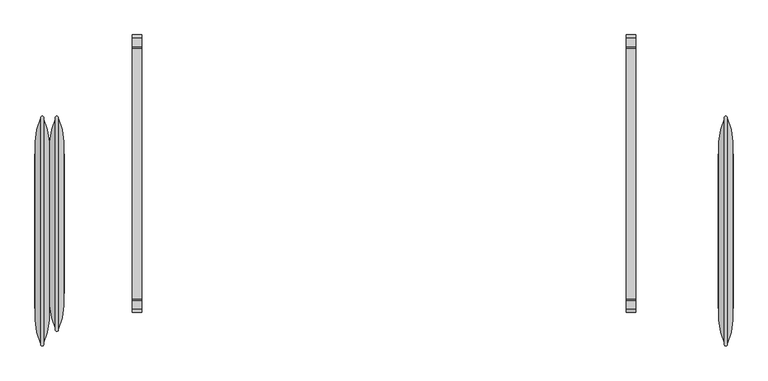
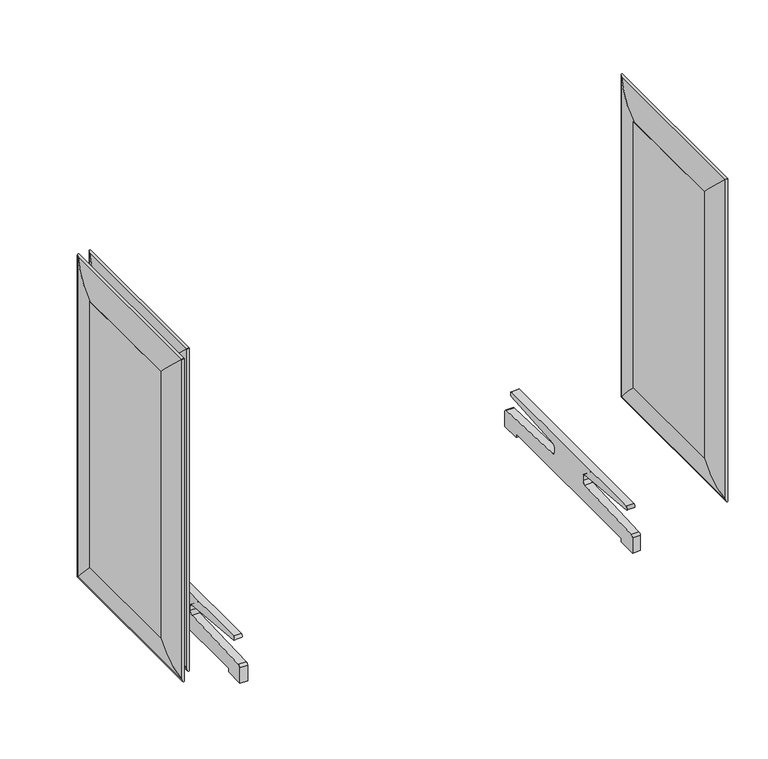
"""IFC4 building model written with IfcOpenShell, lengths in millimetres: furniture geometry."""

from ifc_helpers import new_model, si_unit, point, frame, frame_2d, origin, place, context, project, spatial, polyline, circle_curve, ellipse_curve, trimmed, segment, composite_curve, outline, extrude, source, transform, mapped, element, save
from ifc_brep_helpers import plane_surface, cylinder_surface, advanced_brep


def furniture_b3d95ae5(model_context):
    return source(origin(), model_context, "Body", "SolidModel", [
        advanced_brep(
        [(874.0720019, 73.025, 1163.5628297), (888.816915, 166.1563317, 1256.6941614), (888.816915, 166.1563317, 145.8277373), (874.0720019, 73.025, 238.959069), (910.2779981, 73.025, 1163.5628297), (910.2779981, 73.025, 238.959069), (895.533085, 166.1563317, 1256.6941614), (895.533085, 166.1563317, 145.8277373), (888.816915, -423.3313317, 145.8277373), (874.0720019, -330.2, 238.959069), (910.2779981, -330.2, 238.959069), (895.533085, -423.3313317, 145.8277373), (888.816915, -423.3313317, 1256.6941614), (874.0720019, -330.2, 1163.5628297), (910.2779981, -330.2, 1163.5628297), (895.533085, -423.3313317, 1256.6941614)],
        [
            (0, 1, ellipse_curve(frame((1057.4693158, 91.7217286, 1182.2595584), z_axis=(0.0, 0.7071067811865475, -0.7071067811865475), x_axis=(0.0, 0.7071067811865474, 0.7071067811865476)), 260.707278, 184.3478842)),
            (1, 2),
            (2, 3, ellipse_curve(frame((1057.4693158, 91.7217286, 220.2623404), z_axis=(0.0, 0.7071067811865475, 0.7071067811865475), x_axis=(0.0, -0.7071067811865474, 0.7071067811865476)), 260.707278, 184.3478842)),
            (3, 0),
            (4, 0),
            (3, 5),
            (5, 4),
            (6, 4, ellipse_curve(frame((726.8806842, 91.7217286, 1182.2595584), z_axis=(0.0, 0.7071067811865475, -0.7071067811865475), x_axis=(0.0, 0.7071067811865474, 0.7071067811865476)), 260.707278, 184.3478842)),
            (5, 7, ellipse_curve(frame((726.8806842, 91.7217286, 220.2623404), z_axis=(0.0, 0.7071067811865475, 0.7071067811865475), x_axis=(0.0, -0.7071067811865474, 0.7071067811865476)), 260.707278, 184.3478842)),
            (7, 6),
            (1, 6, ellipse_curve(frame((892.175, 167.7744455, 1258.3122753), z_axis=(0.0, 0.7071067811865475, -0.7071067811865475), x_axis=(0.0, 0.7071067811865474, 0.7071067811865476)), 5.2716273, 3.7276034)),
            (7, 2, ellipse_curve(frame((892.175, 167.7744455, 144.2096235), z_axis=(0.0, 0.7071067811865475, 0.7071067811865475), x_axis=(0.0, -0.7071067811865474, 0.7071067811865476)), 5.2716273, 3.7276034)),
            (2, 8),
            (8, 9, ellipse_curve(frame((1057.4693158, -348.8967286, 220.2623404), z_axis=(0.0, 0.7071067811865475, -0.7071067811865475), x_axis=(0.0, 0.7071067811865476, 0.7071067811865474)), 260.707278, 184.3478842)),
            (9, 3),
            (9, 10),
            (10, 5),
            (10, 11, ellipse_curve(frame((726.8806842, -348.8967286, 220.2623404), z_axis=(0.0, 0.7071067811865475, -0.7071067811865475), x_axis=(0.0, 0.7071067811865476, 0.7071067811865474)), 260.707278, 184.3478842)),
            (11, 7),
            (11, 8, ellipse_curve(frame((892.175, -424.9494455, 144.2096235), z_axis=(0.0, 0.7071067811865475, -0.7071067811865475), x_axis=(0.0, 0.7071067811865476, 0.7071067811865474)), 5.2716273, 3.7276034)),
            (8, 12),
            (12, 13, ellipse_curve(frame((1057.4693158, -348.8967286, 1182.2595584), z_axis=(0.0, -0.7071067811865475, -0.7071067811865475), x_axis=(0.0, 0.7071067811865474, -0.7071067811865476)), 260.707278, 184.3478842)),
            (13, 9),
            (13, 14),
            (14, 10),
            (14, 15, ellipse_curve(frame((726.8806842, -348.8967286, 1182.2595584), z_axis=(0.0, -0.7071067811865475, -0.7071067811865475), x_axis=(0.0, 0.7071067811865474, -0.7071067811865476)), 260.707278, 184.3478842)),
            (15, 11),
            (15, 12, ellipse_curve(frame((892.175, -424.9494455, 1258.3122753), z_axis=(0.0, -0.7071067811865475, -0.7071067811865475), x_axis=(0.0, 0.7071067811865474, -0.7071067811865476)), 5.2716273, 3.7276034)),
            (12, 1),
            (0, 13),
            (4, 14),
            (6, 15),
        ],
        [
            cylinder_surface(frame((1057.4693158, 91.7217286, 1163.5628297), z_axis=(0.0, 0.0, 1.0), x_axis=(-1.0000000000000002, 0.0, 0.0)), 184.3478842),
            plane_surface(frame((874.0720019, 73.025, 1163.5628297), z_axis=(0.0, -1.0, 0.0), x_axis=(0.0, 0.0, -1.0))),
            cylinder_surface(frame((726.8806842, 91.7217286, 1163.5628297), z_axis=(0.0, 0.0, 1.0), x_axis=(-1.0000000000000002, 0.0, 0.0)), 184.3478842),
            cylinder_surface(frame((892.175, 167.7744455, 1163.5628297), z_axis=(0.0, 0.0, 1.0), x_axis=(-1.0000000000000002, 0.0, 0.0)), 3.7276034),
            cylinder_surface(frame((1057.4693158, 73.025, 220.2623404), z_axis=(0.0, 1.0000000000000002, 0.0), x_axis=(-1.0000000000000002, 0.0, 0.0)), 184.3478842),
            plane_surface(frame((874.0720019, 73.025, 238.959069), z_axis=(0.0, 0.0, 1.0), x_axis=(0.0, -1.0, 0.0))),
            cylinder_surface(frame((726.8806842, 73.025, 220.2623404), z_axis=(0.0, 1.0000000000000002, 0.0), x_axis=(-1.0000000000000002, 0.0, 0.0)), 184.3478842),
            cylinder_surface(frame((892.175, 73.025, 144.2096235), z_axis=(0.0, 1.0000000000000002, 0.0), x_axis=(-1.0000000000000002, 0.0, 0.0)), 3.7276034),
            cylinder_surface(frame((1057.4693158, -348.8967286, 238.959069), z_axis=(0.0, 0.0, -1.0), x_axis=(-1.0000000000000002, 0.0, 0.0)), 184.3478842),
            plane_surface(frame((874.0720019, -330.2, 238.959069), z_axis=(0.0, 1.0, 0.0), x_axis=(0.0, 0.0, 1.0))),
            cylinder_surface(frame((726.8806842, -348.8967286, 238.959069), z_axis=(0.0, 0.0, -1.0), x_axis=(-1.0000000000000002, 0.0, 0.0)), 184.3478842),
            cylinder_surface(frame((892.175, -424.9494455, 238.959069), z_axis=(0.0, 0.0, -1.0), x_axis=(-1.0000000000000002, 0.0, 0.0)), 3.7276034),
            cylinder_surface(frame((1057.4693158, -330.2, 1182.2595584), z_axis=(0.0, -1.0000000000000002, 0.0), x_axis=(-1.0000000000000002, 0.0, 0.0)), 184.3478842),
            plane_surface(frame((874.0720019, -330.2, 1163.5628297), z_axis=(0.0, 0.0, -1.0), x_axis=(0.0, 1.0, 0.0))),
            cylinder_surface(frame((726.8806842, -330.2, 1182.2595584), z_axis=(0.0, -1.0000000000000002, 0.0), x_axis=(-1.0000000000000002, 0.0, 0.0)), 184.3478842),
            cylinder_surface(frame((892.175, -330.2, 1258.3122753), z_axis=(0.0, -1.0000000000000002, 0.0), x_axis=(-1.0000000000000002, 0.0, 0.0)), 3.7276034),
        ],
        [
            (0, [[1, 2, 3, 4]]),
            (1, [[5, -4, 6, 7]]),
            (2, [[8, -7, 9, 10]]),
            (3, [[11, -10, 12, -2]]),
            (4, [[-3, 13, 14, 15]]),
            (5, [[-6, -15, 16, 17]]),
            (6, [[-9, -17, 18, 19]]),
            (7, [[-12, -19, 20, -13]]),
            (8, [[-14, 21, 22, 23]]),
            (9, [[-16, -23, 24, 25]]),
            (10, [[-18, -25, 26, 27]]),
            (11, [[-20, -27, 28, -21]]),
            (12, [[-22, 29, -1, 30]]),
            (13, [[-24, -30, -5, 31]]),
            (14, [[-26, -31, -8, 32]]),
            (15, [[-28, -32, -11, -29]]),
        ],
    ),
        extrude(outline(polyline([(911.225, -330.2), (873.125, -330.2), (873.125, 73.025), (911.225, 73.025), (911.225, -330.2)])), frame((0.0, 0.0, 238.959069), z_axis=(0.0, 0.0, 1.0), x_axis=(1.0, 0.0, 0.0)), (0.0, 0.0, 1.0), 924.6037607),
        advanced_brep(
        [(-835.9720019, 73.025, 1163.5628297), (-835.9720019, 73.025, 238.959069), (-850.716915, 166.1563317, 145.8277373), (-850.716915, 166.1563317, 1256.6941614), (-872.1779981, 73.025, 1163.5628297), (-872.1779981, 73.025, 238.959069), (-857.433085, 166.1563317, 1256.6941614), (-857.433085, 166.1563317, 145.8277373), (-835.9720019, -292.1, 238.959069), (-850.716915, -385.2313317, 145.8277373), (-872.1779981, -292.1, 238.959069), (-857.433085, -385.2313317, 145.8277373), (-835.9720019, -292.1, 1163.5628297), (-850.716915, -385.2313317, 1256.6941614), (-872.1779981, -292.1, 1163.5628297), (-857.433085, -385.2313317, 1256.6941614)],
        [
            (0, 1),
            (1, 2, ellipse_curve(frame((-1019.3693158, 91.7217286, 220.2623404), z_axis=(0.0, 0.7071067811865475, 0.7071067811865475), x_axis=(0.0, -0.7071067811865474, 0.7071067811865476)), 260.707278, 184.3478842)),
            (2, 3),
            (3, 0, ellipse_curve(frame((-1019.3693158, 91.7217286, 1182.2595584), z_axis=(0.0, 0.7071067811865475, -0.7071067811865475), x_axis=(0.0, 0.7071067811865474, 0.7071067811865476)), 260.707278, 184.3478842)),
            (4, 5),
            (5, 1),
            (0, 4),
            (6, 7),
            (7, 5, ellipse_curve(frame((-688.7806842, 91.7217286, 220.2623404), z_axis=(0.0, 0.7071067811865475, 0.7071067811865475), x_axis=(0.0, -0.7071067811865474, 0.7071067811865476)), 260.707278, 184.3478842)),
            (4, 6, ellipse_curve(frame((-688.7806842, 91.7217286, 1182.2595584), z_axis=(0.0, 0.7071067811865475, -0.7071067811865475), x_axis=(0.0, 0.7071067811865474, 0.7071067811865476)), 260.707278, 184.3478842)),
            (2, 7, ellipse_curve(frame((-854.075, 167.7744455, 144.2096235), z_axis=(0.0, 0.7071067811865475, 0.7071067811865475), x_axis=(0.0, -0.7071067811865474, 0.7071067811865476)), 5.2716273, 3.7276034)),
            (6, 3, ellipse_curve(frame((-854.075, 167.7744455, 1258.3122753), z_axis=(0.0, 0.7071067811865475, -0.7071067811865475), x_axis=(0.0, 0.7071067811865474, 0.7071067811865476)), 5.2716273, 3.7276034)),
            (1, 8),
            (8, 9, ellipse_curve(frame((-1019.3693158, -310.7967286, 220.2623404), z_axis=(0.0, 0.7071067811865475, -0.7071067811865475), x_axis=(0.0, 0.7071067811865476, 0.7071067811865474)), 260.707278, 184.3478842)),
            (9, 2),
            (5, 10),
            (10, 8),
            (7, 11),
            (11, 10, ellipse_curve(frame((-688.7806842, -310.7967286, 220.2623404), z_axis=(0.0, 0.7071067811865475, -0.7071067811865475), x_axis=(0.0, 0.7071067811865476, 0.7071067811865474)), 260.707278, 184.3478842)),
            (9, 11, ellipse_curve(frame((-854.075, -386.8494455, 144.2096235), z_axis=(0.0, 0.7071067811865475, -0.7071067811865475), x_axis=(0.0, 0.7071067811865476, 0.7071067811865474)), 5.2716273, 3.7276034)),
            (8, 12),
            (12, 13, ellipse_curve(frame((-1019.3693158, -310.7967286, 1182.2595584), z_axis=(0.0, -0.7071067811865475, -0.7071067811865475), x_axis=(0.0, 0.7071067811865474, -0.7071067811865476)), 260.707278, 184.3478842)),
            (13, 9),
            (10, 14),
            (14, 12),
            (11, 15),
            (15, 14, ellipse_curve(frame((-688.7806842, -310.7967286, 1182.2595584), z_axis=(0.0, -0.7071067811865475, -0.7071067811865475), x_axis=(0.0, 0.7071067811865474, -0.7071067811865476)), 260.707278, 184.3478842)),
            (13, 15, ellipse_curve(frame((-854.075, -386.8494455, 1258.3122753), z_axis=(0.0, -0.7071067811865475, -0.7071067811865475), x_axis=(0.0, 0.7071067811865474, -0.7071067811865476)), 5.2716273, 3.7276034)),
            (12, 0),
            (3, 13),
            (14, 4),
            (15, 6),
        ],
        [
            cylinder_surface(frame((-1019.3693158, 91.7217286, 1163.5628297), z_axis=(0.0, 0.0, 1.0), x_axis=(1.0000000000000002, 0.0, 0.0)), 184.3478842),
            plane_surface(frame((-835.9720019, 73.025, 1163.5628297), z_axis=(0.0, -1.0, 0.0), x_axis=(0.0, 0.0, -1.0))),
            cylinder_surface(frame((-688.7806842, 91.7217286, 1163.5628297), z_axis=(0.0, 0.0, 1.0), x_axis=(1.0000000000000002, 0.0, 0.0)), 184.3478842),
            cylinder_surface(frame((-854.075, 167.7744455, 1163.5628297), z_axis=(0.0, 0.0, 1.0), x_axis=(1.0000000000000002, 0.0, 0.0)), 3.7276034),
            cylinder_surface(frame((-1019.3693158, 73.025, 220.2623404), z_axis=(0.0, 1.0000000000000002, 0.0), x_axis=(1.0000000000000002, 0.0, 0.0)), 184.3478842),
            plane_surface(frame((-835.9720019, 73.025, 238.959069), z_axis=(0.0, 0.0, 1.0), x_axis=(0.0, -1.0, 0.0))),
            cylinder_surface(frame((-688.7806842, 73.025, 220.2623404), z_axis=(0.0, 1.0000000000000002, 0.0), x_axis=(1.0000000000000002, 0.0, 0.0)), 184.3478842),
            cylinder_surface(frame((-854.075, 73.025, 144.2096235), z_axis=(0.0, 1.0000000000000002, 0.0), x_axis=(1.0000000000000002, 0.0, 0.0)), 3.7276034),
            cylinder_surface(frame((-1019.3693158, -310.7967286, 238.959069), z_axis=(0.0, 0.0, -1.0), x_axis=(1.0000000000000002, 0.0, 0.0)), 184.3478842),
            plane_surface(frame((-835.9720019, -292.1, 238.959069), z_axis=(0.0, 1.0, 0.0), x_axis=(0.0, 0.0, 1.0))),
            cylinder_surface(frame((-688.7806842, -310.7967286, 238.959069), z_axis=(0.0, 0.0, -1.0), x_axis=(1.0000000000000002, 0.0, 0.0)), 184.3478842),
            cylinder_surface(frame((-854.075, -386.8494455, 238.959069), z_axis=(0.0, 0.0, -1.0), x_axis=(1.0000000000000002, 0.0, 0.0)), 3.7276034),
            cylinder_surface(frame((-1019.3693158, -292.1, 1182.2595584), z_axis=(0.0, -1.0000000000000002, 0.0), x_axis=(1.0000000000000002, 0.0, 0.0)), 184.3478842),
            plane_surface(frame((-835.9720019, -292.1, 1163.5628297), z_axis=(0.0, 0.0, -1.0), x_axis=(0.0, 1.0, 0.0))),
            cylinder_surface(frame((-688.7806842, -292.1, 1182.2595584), z_axis=(0.0, -1.0000000000000002, 0.0), x_axis=(1.0000000000000002, 0.0, 0.0)), 184.3478842),
            cylinder_surface(frame((-854.075, -292.1, 1258.3122753), z_axis=(0.0, -1.0000000000000002, 0.0), x_axis=(1.0000000000000002, 0.0, 0.0)), 3.7276034),
        ],
        [
            (0, [[1, 2, 3, 4]]),
            (1, [[5, 6, -1, 7]]),
            (2, [[8, 9, -5, 10]]),
            (3, [[-3, 11, -8, 12]]),
            (4, [[13, 14, 15, -2]]),
            (5, [[16, 17, -13, -6]]),
            (6, [[18, 19, -16, -9]]),
            (7, [[-15, 20, -18, -11]]),
            (8, [[21, 22, 23, -14]]),
            (9, [[24, 25, -21, -17]]),
            (10, [[26, 27, -24, -19]]),
            (11, [[-23, 28, -26, -20]]),
            (12, [[29, -4, 30, -22]]),
            (13, [[31, -7, -29, -25]]),
            (14, [[32, -10, -31, -27]]),
            (15, [[-30, -12, -32, -28]]),
        ],
    ),
        extrude(outline(polyline([(-873.125, -292.1), (-873.125, 73.025), (-835.025, 73.025), (-835.025, -292.1), (-873.125, -292.1)])), frame((0.0, 0.0, 238.959069), z_axis=(0.0, 0.0, 1.0), x_axis=(1.0, 0.0, 0.0)), (0.0, 0.0, 1.0), 924.6037607),
        advanced_brep(
        [(-874.0720019, 73.025, 1163.5628297), (-874.0720019, 73.025, 238.959069), (-888.816915, 166.1563317, 145.8277373), (-888.816915, 166.1563317, 1256.6941614), (-910.2779981, 73.025, 1163.5628297), (-910.2779981, 73.025, 238.959069), (-895.533085, 166.1563317, 1256.6941614), (-895.533085, 166.1563317, 145.8277373), (-874.0720019, -330.2, 238.959069), (-888.816915, -423.3313317, 145.8277373), (-910.2779981, -330.2, 238.959069), (-895.533085, -423.3313317, 145.8277373), (-874.0720019, -330.2, 1163.5628297), (-888.816915, -423.3313317, 1256.6941614), (-910.2779981, -330.2, 1163.5628297), (-895.533085, -423.3313317, 1256.6941614)],
        [
            (0, 1),
            (1, 2, ellipse_curve(frame((-1057.4693158, 91.7217286, 220.2623404), z_axis=(0.0, 0.7071067811865475, 0.7071067811865475), x_axis=(0.0, -0.7071067811865474, 0.7071067811865476)), 260.707278, 184.3478842)),
            (2, 3),
            (3, 0, ellipse_curve(frame((-1057.4693158, 91.7217286, 1182.2595584), z_axis=(0.0, 0.7071067811865475, -0.7071067811865475), x_axis=(0.0, 0.7071067811865474, 0.7071067811865476)), 260.707278, 184.3478842)),
            (4, 5),
            (5, 1),
            (0, 4),
            (6, 7),
            (7, 5, ellipse_curve(frame((-726.8806842, 91.7217286, 220.2623404), z_axis=(0.0, 0.7071067811865475, 0.7071067811865475), x_axis=(0.0, -0.7071067811865474, 0.7071067811865476)), 260.707278, 184.3478842)),
            (4, 6, ellipse_curve(frame((-726.8806842, 91.7217286, 1182.2595584), z_axis=(0.0, 0.7071067811865475, -0.7071067811865475), x_axis=(0.0, 0.7071067811865474, 0.7071067811865476)), 260.707278, 184.3478842)),
            (2, 7, ellipse_curve(frame((-892.175, 167.7744455, 144.2096235), z_axis=(0.0, 0.7071067811865475, 0.7071067811865475), x_axis=(0.0, -0.7071067811865474, 0.7071067811865476)), 5.2716273, 3.7276034)),
            (6, 3, ellipse_curve(frame((-892.175, 167.7744455, 1258.3122753), z_axis=(0.0, 0.7071067811865475, -0.7071067811865475), x_axis=(0.0, 0.7071067811865474, 0.7071067811865476)), 5.2716273, 3.7276034)),
            (1, 8),
            (8, 9, ellipse_curve(frame((-1057.4693158, -348.8967286, 220.2623404), z_axis=(0.0, 0.7071067811865475, -0.7071067811865475), x_axis=(0.0, 0.7071067811865476, 0.7071067811865474)), 260.707278, 184.3478842)),
            (9, 2),
            (5, 10),
            (10, 8),
            (7, 11),
            (11, 10, ellipse_curve(frame((-726.8806842, -348.8967286, 220.2623404), z_axis=(0.0, 0.7071067811865475, -0.7071067811865475), x_axis=(0.0, 0.7071067811865476, 0.7071067811865474)), 260.707278, 184.3478842)),
            (9, 11, ellipse_curve(frame((-892.175, -424.9494455, 144.2096235), z_axis=(0.0, 0.7071067811865475, -0.7071067811865475), x_axis=(0.0, 0.7071067811865476, 0.7071067811865474)), 5.2716273, 3.7276034)),
            (8, 12),
            (12, 13, ellipse_curve(frame((-1057.4693158, -348.8967286, 1182.2595584), z_axis=(0.0, -0.7071067811865475, -0.7071067811865475), x_axis=(0.0, 0.7071067811865474, -0.7071067811865476)), 260.707278, 184.3478842)),
            (13, 9),
            (10, 14),
            (14, 12),
            (11, 15),
            (15, 14, ellipse_curve(frame((-726.8806842, -348.8967286, 1182.2595584), z_axis=(0.0, -0.7071067811865475, -0.7071067811865475), x_axis=(0.0, 0.7071067811865474, -0.7071067811865476)), 260.707278, 184.3478842)),
            (13, 15, ellipse_curve(frame((-892.175, -424.9494455, 1258.3122753), z_axis=(0.0, -0.7071067811865475, -0.7071067811865475), x_axis=(0.0, 0.7071067811865474, -0.7071067811865476)), 5.2716273, 3.7276034)),
            (12, 0),
            (3, 13),
            (14, 4),
            (15, 6),
        ],
        [
            cylinder_surface(frame((-1057.4693158, 91.7217286, 1163.5628297), z_axis=(0.0, 0.0, 1.0), x_axis=(1.0000000000000002, 0.0, 0.0)), 184.3478842),
            plane_surface(frame((-874.0720019, 73.025, 1163.5628297), z_axis=(0.0, -1.0, 0.0), x_axis=(0.0, 0.0, -1.0))),
            cylinder_surface(frame((-726.8806842, 91.7217286, 1163.5628297), z_axis=(0.0, 0.0, 1.0), x_axis=(1.0000000000000002, 0.0, 0.0)), 184.3478842),
            cylinder_surface(frame((-892.175, 167.7744455, 1163.5628297), z_axis=(0.0, 0.0, 1.0), x_axis=(1.0000000000000002, 0.0, 0.0)), 3.7276034),
            cylinder_surface(frame((-1057.4693158, 73.025, 220.2623404), z_axis=(0.0, 1.0000000000000002, 0.0), x_axis=(1.0000000000000002, 0.0, 0.0)), 184.3478842),
            plane_surface(frame((-874.0720019, 73.025, 238.959069), z_axis=(0.0, 0.0, 1.0), x_axis=(0.0, -1.0, 0.0))),
            cylinder_surface(frame((-726.8806842, 73.025, 220.2623404), z_axis=(0.0, 1.0000000000000002, 0.0), x_axis=(1.0000000000000002, 0.0, 0.0)), 184.3478842),
            cylinder_surface(frame((-892.175, 73.025, 144.2096235), z_axis=(0.0, 1.0000000000000002, 0.0), x_axis=(1.0000000000000002, 0.0, 0.0)), 3.7276034),
            cylinder_surface(frame((-1057.4693158, -348.8967286, 238.959069), z_axis=(0.0, 0.0, -1.0), x_axis=(1.0000000000000002, 0.0, 0.0)), 184.3478842),
            plane_surface(frame((-874.0720019, -330.2, 238.959069), z_axis=(0.0, 1.0, 0.0), x_axis=(0.0, 0.0, 1.0))),
            cylinder_surface(frame((-726.8806842, -348.8967286, 238.959069), z_axis=(0.0, 0.0, -1.0), x_axis=(1.0000000000000002, 0.0, 0.0)), 184.3478842),
            cylinder_surface(frame((-892.175, -424.9494455, 238.959069), z_axis=(0.0, 0.0, -1.0), x_axis=(1.0000000000000002, 0.0, 0.0)), 3.7276034),
            cylinder_surface(frame((-1057.4693158, -330.2, 1182.2595584), z_axis=(0.0, -1.0000000000000002, 0.0), x_axis=(1.0000000000000002, 0.0, 0.0)), 184.3478842),
            plane_surface(frame((-874.0720019, -330.2, 1163.5628297), z_axis=(0.0, 0.0, -1.0), x_axis=(0.0, 1.0, 0.0))),
            cylinder_surface(frame((-726.8806842, -330.2, 1182.2595584), z_axis=(0.0, -1.0000000000000002, 0.0), x_axis=(1.0000000000000002, 0.0, 0.0)), 184.3478842),
            cylinder_surface(frame((-892.175, -330.2, 1258.3122753), z_axis=(0.0, -1.0000000000000002, 0.0), x_axis=(1.0000000000000002, 0.0, 0.0)), 3.7276034),
        ],
        [
            (0, [[1, 2, 3, 4]]),
            (1, [[5, 6, -1, 7]]),
            (2, [[8, 9, -5, 10]]),
            (3, [[-3, 11, -8, 12]]),
            (4, [[13, 14, 15, -2]]),
            (5, [[16, 17, -13, -6]]),
            (6, [[18, 19, -16, -9]]),
            (7, [[-15, 20, -18, -11]]),
            (8, [[21, 22, 23, -14]]),
            (9, [[24, 25, -21, -17]]),
            (10, [[26, 27, -24, -19]]),
            (11, [[-23, 28, -26, -20]]),
            (12, [[29, -4, 30, -22]]),
            (13, [[31, -7, -29, -25]]),
            (14, [[32, -10, -31, -27]]),
            (15, [[-30, -12, -32, -28]]),
        ],
    ),
        extrude(outline(polyline([(-911.225, -330.2), (-911.225, 73.025), (-873.125, 73.025), (-873.125, -330.2), (-911.225, -330.2)])), frame((0.0, 0.0, 238.959069), z_axis=(0.0, 0.0, 1.0), x_axis=(1.0, 0.0, 0.0)), (0.0, 0.0, 1.0), 924.6037607),
        extrude(outline(composite_curve([segment(polyline([(-305.0998594, 142.5353474), (347.9866958, 142.5353474)]), True, "CONTINUOUS"), segment(trimmed(circle_curve(frame_2d((344.4894345, 135.0287131)), 8.2813281), [point((347.9866958, 142.5353474))], [point((347.371489, 127.2650698))], False, "CARTESIAN"), True, "CONTINUOUS"), segment(polyline([(347.371489, 127.2650698), (110.8615067, 105.9960919)]), True, "CONTINUOUS"), segment(trimmed(circle_curve(frame_2d((110.8615067, 97.554557)), 8.4415349), [point((110.8615067, 105.9960919))], [point((102.4199718, 97.554557))], True, "CARTESIAN"), True, "CONTINUOUS"), segment(polyline([(102.4199718, 97.554557), (102.4199718, 81.9730579)]), True, "CONTINUOUS"), segment(trimmed(circle_curve(frame_2d((112.9257521, 81.9730579)), 10.5057802), [point((102.4199718, 81.9730579))], [point((112.9257521, 71.4672776))], True, "CARTESIAN"), True, "CONTINUOUS"), segment(polyline([(112.9257521, 71.4672776), (376.0615983, 60.2417308)]), True, "CONTINUOUS"), segment(trimmed(circle_curve(frame_2d((375.69131, 51.5618743)), 8.6877512), [point((376.0615983, 60.2417308))], [point((384.175, 53.4337784))], False, "CARTESIAN"), True, "CONTINUOUS"), segment(polyline([(384.175, 53.4337784), (384.175, 0.0), (320.5207421, 0.0), (320.5207421, 13.4697401), (-277.6339056, 13.4697401), (-277.6339056, 0.0), (-341.2881636, 0.0), (-341.2881636, 53.4337784)]), True, "CONTINUOUS"), segment(trimmed(circle_curve(frame_2d((-332.8044735, 51.5618743)), 8.6877512), [point((-341.2881636, 53.4337784))], [point((-333.1747619, 60.2417308))], False, "CARTESIAN"), True, "CONTINUOUS"), segment(polyline([(-333.1747619, 60.2417308), (-70.0389157, 71.4672776)]), True, "CONTINUOUS"), segment(trimmed(circle_curve(frame_2d((-70.0389157, 81.9730579)), 10.5057802), [point((-70.0389157, 71.4672776))], [point((-59.5331354, 81.9730579))], True, "CARTESIAN"), True, "CONTINUOUS"), segment(polyline([(-59.5331354, 81.9730579), (-59.5331354, 97.554557)]), True, "CONTINUOUS"), segment(trimmed(circle_curve(frame_2d((-67.9746703, 97.554557)), 8.4415349), [point((-59.5331354, 97.554557))], [point((-67.9746703, 105.9960919))], True, "CARTESIAN"), True, "CONTINUOUS"), segment(polyline([(-67.9746703, 105.9960919), (-304.4846526, 127.2650698)]), True, "CONTINUOUS"), segment(trimmed(circle_curve(frame_2d((-301.6025981, 135.0287131)), 8.2813281), [point((-304.4846526, 127.2650698))], [point((-305.0998594, 142.5353474))], False, "CARTESIAN"), True, "CONTINUOUS")], self_intersect=False)), frame((631.825, 0.0, 0.0), z_axis=(1.0, 0.0, 0.0), x_axis=(0.0, 1.0, 0.0)), (0.0, 0.0, 1.0), 25.4),
        extrude(outline(composite_curve([segment(polyline([(-305.0998594, 142.5353474), (347.9866958, 142.5353474)]), True, "CONTINUOUS"), segment(trimmed(circle_curve(frame_2d((344.4894345, 135.0287131)), 8.2813281), [point((347.9866958, 142.5353474))], [point((347.371489, 127.2650698))], False, "CARTESIAN"), True, "CONTINUOUS"), segment(polyline([(347.371489, 127.2650698), (110.8615067, 105.9960919)]), True, "CONTINUOUS"), segment(trimmed(circle_curve(frame_2d((110.8615067, 97.554557)), 8.4415349), [point((110.8615067, 105.9960919))], [point((102.4199718, 97.554557))], True, "CARTESIAN"), True, "CONTINUOUS"), segment(polyline([(102.4199718, 97.554557), (102.4199718, 81.9730579)]), True, "CONTINUOUS"), segment(trimmed(circle_curve(frame_2d((112.9257521, 81.9730579)), 10.5057802), [point((102.4199718, 81.9730579))], [point((112.9257521, 71.4672776))], True, "CARTESIAN"), True, "CONTINUOUS"), segment(polyline([(112.9257521, 71.4672776), (376.0615983, 60.2417308)]), True, "CONTINUOUS"), segment(trimmed(circle_curve(frame_2d((375.69131, 51.5618743)), 8.6877512), [point((376.0615983, 60.2417308))], [point((384.175, 53.4337784))], False, "CARTESIAN"), True, "CONTINUOUS"), segment(polyline([(384.175, 53.4337784), (384.175, 0.0), (320.5207421, 0.0), (320.5207421, 13.4697401), (-277.6339056, 13.4697401), (-277.6339056, 0.0), (-341.2881636, 0.0), (-341.2881636, 53.4337784)]), True, "CONTINUOUS"), segment(trimmed(circle_curve(frame_2d((-332.8044735, 51.5618743)), 8.6877512), [point((-341.2881636, 53.4337784))], [point((-333.1747619, 60.2417308))], False, "CARTESIAN"), True, "CONTINUOUS"), segment(polyline([(-333.1747619, 60.2417308), (-70.0389157, 71.4672776)]), True, "CONTINUOUS"), segment(trimmed(circle_curve(frame_2d((-70.0389157, 81.9730579)), 10.5057802), [point((-70.0389157, 71.4672776))], [point((-59.5331354, 81.9730579))], True, "CARTESIAN"), True, "CONTINUOUS"), segment(polyline([(-59.5331354, 81.9730579), (-59.5331354, 97.554557)]), True, "CONTINUOUS"), segment(trimmed(circle_curve(frame_2d((-67.9746703, 97.554557)), 8.4415349), [point((-59.5331354, 97.554557))], [point((-67.9746703, 105.9960919))], True, "CARTESIAN"), True, "CONTINUOUS"), segment(polyline([(-67.9746703, 105.9960919), (-304.4846526, 127.2650698)]), True, "CONTINUOUS"), segment(trimmed(circle_curve(frame_2d((-301.6025981, 135.0287131)), 8.2813281), [point((-304.4846526, 127.2650698))], [point((-305.0998594, 142.5353474))], False, "CARTESIAN"), True, "CONTINUOUS")], self_intersect=False)), frame((-657.225, 0.0, 0.0), z_axis=(1.0, 0.0, 0.0), x_axis=(0.0, 1.0, 0.0)), (0.0, 0.0, 1.0), 25.4),
    ])


if __name__ == "__main__":
    model = new_model("IFC4")
    model_context = context("Model", 3, world=origin())
    ifc_project = project(units=[si_unit("LENGTHUNIT", "METRE", prefix="MILLI")], contexts=[model_context])
    site = spatial("IfcSite", under=ifc_project)
    building = spatial("IfcBuilding", under=site)
    placement = place(None, origin())
    furniture_shape = furniture_b3d95ae5(model_context)
    element("IfcFurniture", 1, at=placement, inside=building, context=model_context, shape_type="MappedRepresentation", body=[
        mapped(furniture_shape, transform((0.0, 0.0, 0.0), x_axis=(1.0, 0.0, 0.0), y_axis=(0.0, 1.0, 0.0), z_axis=(0.0, 0.0, 1.0))),
    ])
    save(model, "model.ifc")
